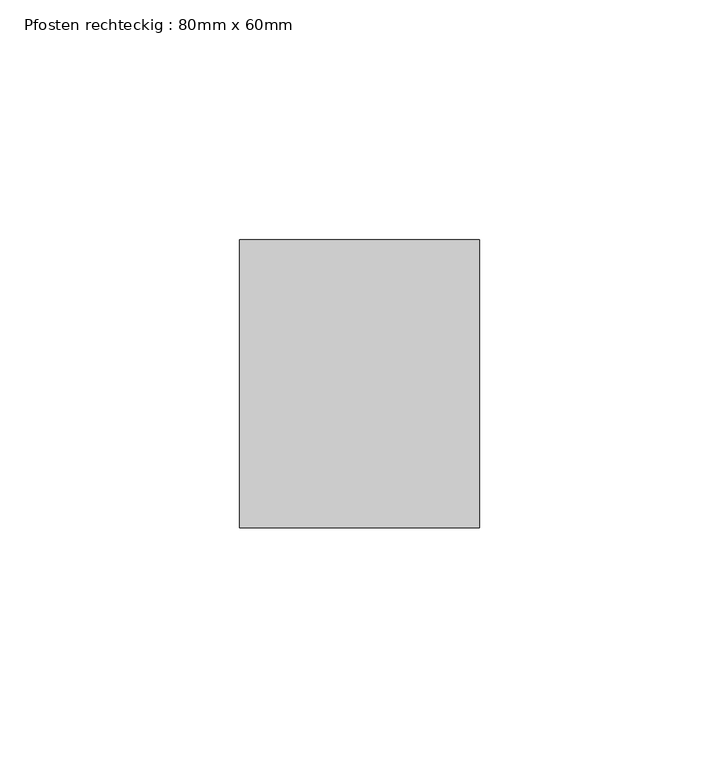
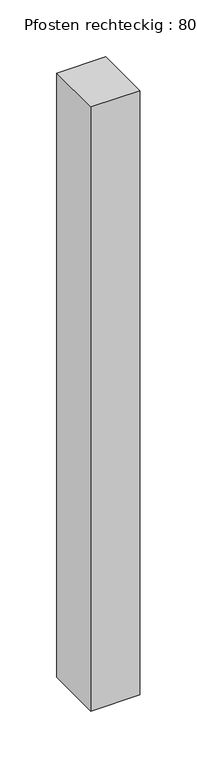
"""IFC4 building model written with IfcOpenShell, lengths in millimetres: member geometry, Pfosten rechteckig : 80mm x 60mm."""

from ifc_helpers import new_model, si_unit, frame, origin, place, context, project, spatial, polyline, outline, extrude, source, transform, mapped, element, save


def pfosten_rechteckig_80mm_x_60mm_50299577(model_context):
    return source(origin(), model_context, "Body", "SweptSolid", [
        extrude(outline(polyline([(25.0, 30.0), (25.0, -30.0), (-25.0, -30.0), (-25.0, 30.0), (25.0, 30.0)])), frame((0.0, 0.0, -650.0), z_axis=(0.0, 0.0, 1.0), x_axis=(1.0, 0.0, 0.0)), (0.0, 0.0, 1.0), 650.0),
    ])


if __name__ == "__main__":
    model = new_model("IFC4")
    model_context = context("Model", 3, world=origin())
    ifc_project = project(units=[si_unit("LENGTHUNIT", "METRE", prefix="MILLI")], contexts=[model_context])
    site = spatial("IfcSite", under=ifc_project)
    building = spatial("IfcBuilding", under=site)
    placement = place(None, origin())
    pfosten_rechteckig_80mm_x_60mm_shape = pfosten_rechteckig_80mm_x_60mm_50299577(model_context)
    element("IfcMember", 1, ObjectType="Pfosten rechteckig : 80mm x 60mm", at=placement, inside=building, context=model_context, shape_type="MappedRepresentation", body=[
        mapped(pfosten_rechteckig_80mm_x_60mm_shape, transform((0.0, 0.0, 0.0), x_axis=(1.0, 0.0, 0.0), y_axis=(0.0, 1.0, 0.0), z_axis=(0.0, 0.0, 1.0))),
    ])
    save(model, "model.ifc")
